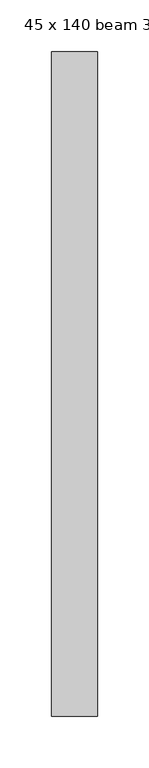
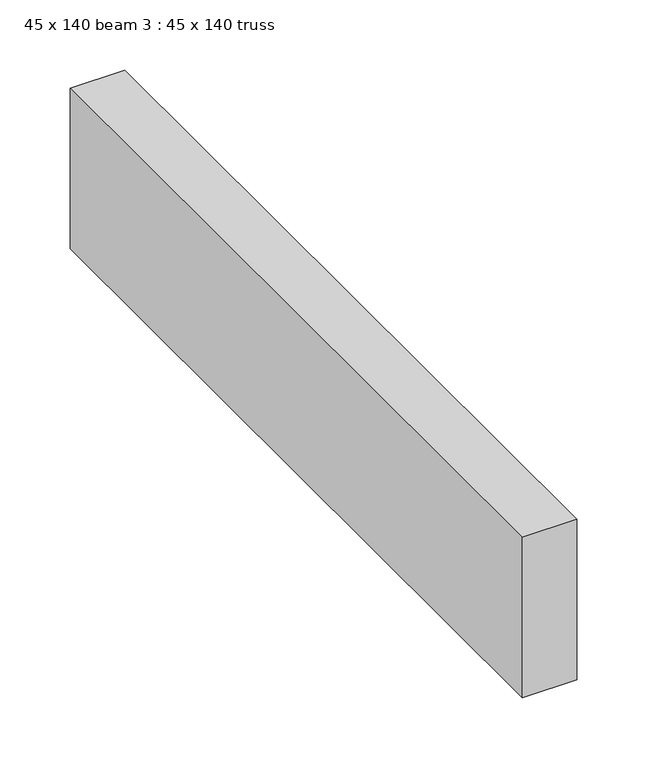
"""IFC4 building model written with IfcOpenShell, lengths in millimetres: proxy geometry, 45 x 140 beam 3 : 45 x 140 truss."""

from ifc_helpers import new_model, si_unit, frame, origin, place, context, project, spatial, polyline, outline, extrude, source, transform, mapped, element, save


def proxy_45_x_140_beam_3_45_x_140_truss_ab877ab2(model_context):
    return source(origin(), model_context, "Body", "SweptSolid", [
        extrude(outline(polyline([(22237.8272386, -13655.4372176), (22192.8272386, -13655.4372176), (22192.8272386, -13010.4372176), (22237.8272386, -13010.4372176), (22237.8272386, -13655.4372176)])), frame((0.0, 0.0, 3644.2452806), z_axis=(0.0, 0.0, 1.0), x_axis=(1.0, 0.0, 0.0)), (0.0, 0.0, 1.0), 140.0),
    ])


if __name__ == "__main__":
    model = new_model("IFC4")
    model_context = context("Model", 3, world=origin())
    ifc_project = project(units=[si_unit("LENGTHUNIT", "METRE", prefix="MILLI")], contexts=[model_context])
    site = spatial("IfcSite", under=ifc_project)
    building = spatial("IfcBuilding", under=site)
    placement = place(None, origin())
    proxy_45_x_140_beam_3_45_x_140_truss_shape = proxy_45_x_140_beam_3_45_x_140_truss_ab877ab2(model_context)
    element("IfcBuildingElementProxy", 1, Name="45 x 140 beam 3 : 45 x 140 truss", ObjectType="45 x 140 beam 3 : 45 x 140 truss", at=placement, inside=building, context=model_context, shape_type="MappedRepresentation", body=[
        mapped(proxy_45_x_140_beam_3_45_x_140_truss_shape, transform((0.0, 0.0, 0.0), x_axis=(1.0, 0.0, 0.0), y_axis=(0.0, 1.0, 0.0), z_axis=(0.0, 0.0, 1.0))),
    ])
    save(model, "model.ifc")
